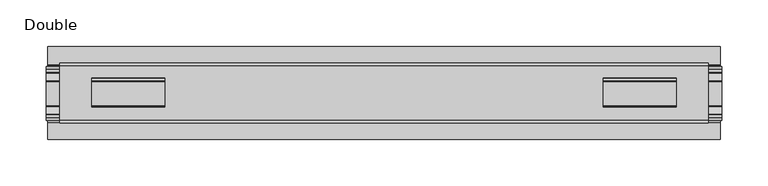
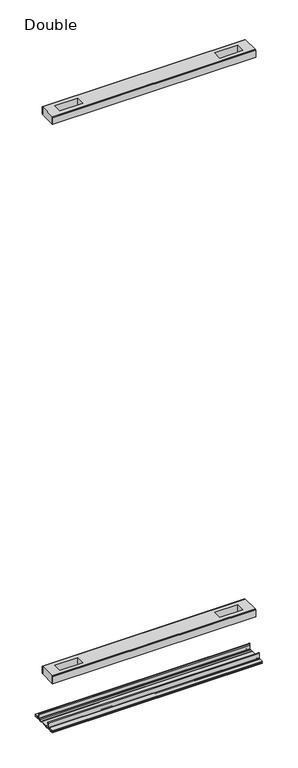
"""IFC4 building model written with IfcOpenShell, lengths in millimetres: proxy geometry, Double."""

from ifc_helpers import new_model, si_unit, point, frame, frame_2d, origin, place, context, project, spatial, polyline, circle_curve, trimmed, segment, composite_curve, outline, extrude, source, transform, mapped, element, save


def double_c864d985(model_context):
    return source(origin(), model_context, "Body", "SweptSolid", [
        extrude(outline(polyline([(349.1865091, 29.0068005), (-349.1865091, 29.0068005), (-349.1865091, 32.1817997), (349.1865091, 32.1817997), (349.1865091, 29.0068005)])), frame((0.0, 0.0, 2186.2851593), z_axis=(0.0, 0.0, 1.0), x_axis=(1.0, 0.0, 0.0)), (0.0, 0.0, 1.0), 25.3999939),
        extrude(outline(polyline([(349.1865091, -32.1817997), (-349.1865091, -32.1817997), (-349.1865091, -29.0068005), (349.1865091, -29.0068005), (349.1865091, -32.1817997)])), frame((0.0, 0.0, 2186.2851593), z_axis=(0.0, 0.0, 1.0), x_axis=(1.0, 0.0, 0.0)), (0.0, 0.0, 1.0), 25.3999939),
        extrude(outline(polyline([(349.1865091, -29.0068005), (-349.1865091, -29.0068005), (-349.1865091, 29.0068005), (349.1865091, 29.0068005), (349.1865091, -29.0068005)]), holes=[polyline([(314.7694965, -15.1130038), (314.7694965, 15.875003), (235.7246847, 15.875003), (235.7246847, -15.1130038), (314.7694965, -15.1130038)]), polyline([(-314.7694965, -15.1130038), (-235.7246847, -15.1130038), (-235.7246847, 15.875003), (-314.7694965, 15.875003), (-314.7694965, -15.1130038)])]), frame((0.0, 0.0, 2184.9851569), z_axis=(0.0, 0.0, 1.0), x_axis=(1.0, 0.0, 0.0)), (0.0, 0.0, 1.0), 27.9999988),
        extrude(outline(polyline([(349.1865091, 29.0068005), (-349.1865091, 29.0068005), (-349.1865091, 32.1817997), (349.1865091, 32.1817997), (349.1865091, 29.0068005)])), frame((0.0, 0.0, 149.8401622), z_axis=(0.0, 0.0, 1.0), x_axis=(1.0, 0.0, 0.0)), (0.0, 0.0, 1.0), 25.3999939),
        extrude(outline(polyline([(349.1865091, -32.1817997), (-349.1865091, -32.1817997), (-349.1865091, -29.0068005), (349.1865091, -29.0068005), (349.1865091, -32.1817997)])), frame((0.0, 0.0, 149.8401622), z_axis=(0.0, 0.0, 1.0), x_axis=(1.0, 0.0, 0.0)), (0.0, 0.0, 1.0), 25.3999939),
        extrude(outline(polyline([(349.1865091, -29.0068005), (-349.1865091, -29.0068005), (-349.1865091, 29.0068005), (349.1865091, 29.0068005), (349.1865091, -29.0068005)]), holes=[polyline([(314.7694965, -15.1130038), (314.7694965, 15.875003), (235.7246847, 15.875003), (235.7246847, -15.1130038), (314.7694965, -15.1130038)]), polyline([(-314.7694965, -15.1130038), (-235.7246847, -15.1130038), (-235.7246847, 15.875003), (-314.7694965, 15.875003), (-314.7694965, -15.1130038)])]), frame((0.0, 0.0, 148.4185847), z_axis=(0.0, 0.0, 1.0), x_axis=(1.0, 0.0, 0.0)), (0.0, 0.0, 1.0), 27.9999988),
        extrude(outline(composite_curve([segment(trimmed(circle_curve(frame_2d((26.6420561, -7.7516037)), 2.17424), [point((28.8162961, -7.7516037))], [point((26.6420561, -9.9258438))], False, "CARTESIAN"), True, "CONTINUOUS"), segment(polyline([(26.6420561, -9.9258438), (22.3510694, -9.9258438)]), True, "CONTINUOUS"), segment(trimmed(circle_curve(frame_2d((17.7706549, -6.4800016)), 5.7318431), [point((22.3510694, -9.9258438))], [point((13.1902404, -9.9258438))], False, "CARTESIAN"), True, "CONTINUOUS"), segment(polyline([(13.1902404, -9.9258438), (-13.57124, -9.9258438)]), True, "CONTINUOUS"), segment(trimmed(circle_curve(frame_2d((-18.1516545, -6.4800016)), 5.7318431), [point((-13.57124, -9.9258438))], [point((-22.732069, -9.9258438))], False, "CARTESIAN"), True, "CONTINUOUS"), segment(polyline([(-22.732069, -9.9258438), (-27.0230557, -9.9258438)]), True, "CONTINUOUS"), segment(trimmed(circle_curve(frame_2d((-27.0230557, -7.7516037)), 2.17424), [point((-27.0230557, -9.9258438))], [point((-29.1972958, -7.7516037))], False, "CARTESIAN"), True, "CONTINUOUS"), segment(polyline([(-29.1972958, -7.7516037), (-29.1972958, 9.8607558)]), True, "CONTINUOUS"), segment(trimmed(circle_curve(frame_2d((-27.9780978, 9.8607558)), 1.2191979), [point((-29.1972958, 9.8607558))], [point((-26.7588999, 9.8607558))], False, "CARTESIAN"), True, "CONTINUOUS"), segment(polyline([(-26.7588999, 9.8607558), (-26.7588999, 5.9999563), (-28.0390765, 5.9999563), (-28.0390765, -7.7516037)]), True, "CONTINUOUS"), segment(trimmed(circle_curve(frame_2d((-27.0230557, -7.7516037)), 1.0160208), [point((-28.0390765, -7.7516037))], [point((-27.0295728, -8.7676036))], True, "CARTESIAN"), True, "CONTINUOUS"), segment(polyline([(-27.0295728, -8.7676036), (-23.0866222, -8.7676036), (-22.1732605, -8.968753)]), True, "CONTINUOUS"), segment(trimmed(circle_curve(frame_2d((-18.1483018, -6.1259382)), 4.9276657), [point((-22.1732605, -8.968753))], [point((-14.123343, -8.968753))], True, "CARTESIAN"), True, "CONTINUOUS"), segment(polyline([(-14.123343, -8.968753), (-13.2099722, -8.7676036), (12.8289726, -8.7676036), (13.7423434, -8.968753)]), True, "CONTINUOUS"), segment(trimmed(circle_curve(frame_2d((17.7673021, -6.1259382)), 4.9276657), [point((13.7423434, -8.968753))], [point((21.7922609, -8.968753))], True, "CARTESIAN"), True, "CONTINUOUS"), segment(polyline([(21.7922609, -8.968753), (22.7056226, -8.7676036), (26.6485732, -8.7676036)]), True, "CONTINUOUS"), segment(trimmed(circle_curve(frame_2d((26.6420561, -7.7516037)), 1.0160208), [point((26.6485732, -8.7676036))], [point((27.6580769, -7.7516037))], True, "CARTESIAN"), True, "CONTINUOUS"), segment(polyline([(27.6580769, -7.7516037), (27.6580769, 5.9999563), (26.3779003, 5.9999563), (26.3779003, 9.8607558)]), True, "CONTINUOUS"), segment(trimmed(circle_curve(frame_2d((27.5970982, 9.8607558)), 1.2191979), [point((26.3779003, 9.8607558))], [point((28.8162961, 9.8607558))], False, "CARTESIAN"), True, "CONTINUOUS"), segment(polyline([(28.8162961, 9.8607558), (28.8162961, -7.7516037)]), True, "CONTINUOUS")], self_intersect=False)), frame((-363.2454, 0.0, 0.0), z_axis=(1.0, 0.0, 0.0), x_axis=(0.0, 1.0, 0.0)), (0.0, 0.0, 1.0), 726.4908),
        extrude(outline(composite_curve([segment(polyline([(50.2668422, -13.9898438), (39.6557522, -13.9898438)]), True, "CONTINUOUS"), segment(trimmed(circle_curve(frame_2d((39.6557522, -12.4658438)), 1.524), [point((39.6557522, -13.9898438))], [point((38.1317522, -12.4658438))], False, "CARTESIAN"), True, "CONTINUOUS"), segment(polyline([(38.1317522, -12.4658438), (38.1317522, -7.766844), (31.3054974, -7.766844), (31.3054974, -10.0528438)]), True, "CONTINUOUS"), segment(trimmed(circle_curve(frame_2d((29.7814974, -10.0528438)), 1.524), [point((31.3054974, -10.0528438))], [point((29.7814974, -11.5768438))], False, "CARTESIAN"), True, "CONTINUOUS"), segment(polyline([(29.7814974, -11.5768438), (23.2753553, -11.5768438)]), True, "CONTINUOUS"), segment(trimmed(circle_curve(frame_2d((17.7673021, -6.4968436)), 7.4930002), [point((23.2753553, -11.5768438))], [point((12.5094972, -11.8354331))], False, "CARTESIAN"), True, "CONTINUOUS"), segment(polyline([(12.5094972, -11.8354331), (-12.8904968, -11.8354331)]), True, "CONTINUOUS"), segment(trimmed(circle_curve(frame_2d((-18.1483018, -6.4968436)), 7.4930002), [point((-12.8904968, -11.8354331))], [point((-23.6563549, -11.5768438))], False, "CARTESIAN"), True, "CONTINUOUS"), segment(polyline([(-23.6563549, -11.5768438), (-30.1624971, -11.5768438)]), True, "CONTINUOUS"), segment(trimmed(circle_curve(frame_2d((-30.1624971, -10.0528438)), 1.524), [point((-30.1624971, -11.5768438))], [point((-31.686497, -10.0528438))], False, "CARTESIAN"), True, "CONTINUOUS"), segment(polyline([(-31.686497, -10.0528438), (-31.686497, -7.766844), (-38.5127519, -7.766844), (-38.5127519, -12.4658438)]), True, "CONTINUOUS"), segment(trimmed(circle_curve(frame_2d((-40.0367518, -12.4658438)), 1.524), [point((-38.5127519, -12.4658438))], [point((-40.0367518, -13.9898438))], False, "CARTESIAN"), True, "CONTINUOUS"), segment(polyline([(-40.0367518, -13.9898438), (-50.00625, -13.9898438), (-50.00625, -12.3388438), (-40.1637503, -12.3388438), (-40.1637503, -7.766844), (-50.00625, -7.766844), (-50.00625, -6.1158439), (-31.6239218, -6.1158439)]), True, "CONTINUOUS"), segment(trimmed(circle_curve(frame_2d((-31.6864982, -7.7656583)), 1.6510007), [point((-31.6239218, -6.1158439))], [point((-30.0354975, -7.7656583))], False, "CARTESIAN"), True, "CONTINUOUS"), segment(polyline([(-30.0354975, -7.7656583), (-30.0354975, -9.9258438), (-23.486834, -9.9258438)]), True, "CONTINUOUS"), segment(trimmed(circle_curve(frame_2d((-18.1483018, -5.2268471)), 7.1119966), [point((-23.486834, -9.9258438))], [point((-12.8097695, -9.9258438))], True, "CARTESIAN"), True, "CONTINUOUS"), segment(polyline([(-12.8097695, -9.9258438), (12.4287699, -9.9258438)]), True, "CONTINUOUS"), segment(trimmed(circle_curve(frame_2d((17.7673021, -5.2268471)), 7.1119966), [point((12.4287699, -9.9258438))], [point((23.1058344, -9.9258438))], True, "CARTESIAN"), True, "CONTINUOUS"), segment(polyline([(23.1058344, -9.9258438), (29.6544978, -9.9258438), (29.6544978, -7.6398436)]), True, "CONTINUOUS"), segment(trimmed(circle_curve(frame_2d((31.1784975, -7.6398436)), 1.5239997), [point((29.6544978, -7.6398436))], [point((31.1784975, -6.1158439))], False, "CARTESIAN"), True, "CONTINUOUS"), segment(polyline([(31.1784975, -6.1158439), (50.2668422, -6.1158439), (50.2240211, -7.766844), (39.7827507, -7.766844), (39.7827507, -12.3388438), (50.2240211, -12.3388438), (50.2668422, -13.9898438)]), True, "CONTINUOUS")], self_intersect=False)), frame((-361.5944, 0.0, 0.0), z_axis=(1.0, 0.0, 0.0), x_axis=(0.0, 1.0, 0.0)), (0.0, 0.0, 1.0), 723.1888),
    ])


if __name__ == "__main__":
    model = new_model("IFC4")
    model_context = context("Model", 3, world=origin())
    ifc_project = project(units=[si_unit("LENGTHUNIT", "METRE", prefix="MILLI")], contexts=[model_context])
    site = spatial("IfcSite", under=ifc_project)
    building = spatial("IfcBuilding", under=site)
    placement = place(None, origin())
    double_shape = double_c864d985(model_context)
    element("IfcBuildingElementProxy", 1, Name="Double", ObjectType="Double", at=placement, inside=building, context=model_context, shape_type="MappedRepresentation", body=[
        mapped(double_shape, transform((0.0, 0.0, 0.0), x_axis=(1.0, 0.0, 0.0), y_axis=(0.0, 1.0, 0.0), z_axis=(0.0, 0.0, 1.0))),
    ])
    save(model, "model.ifc")
